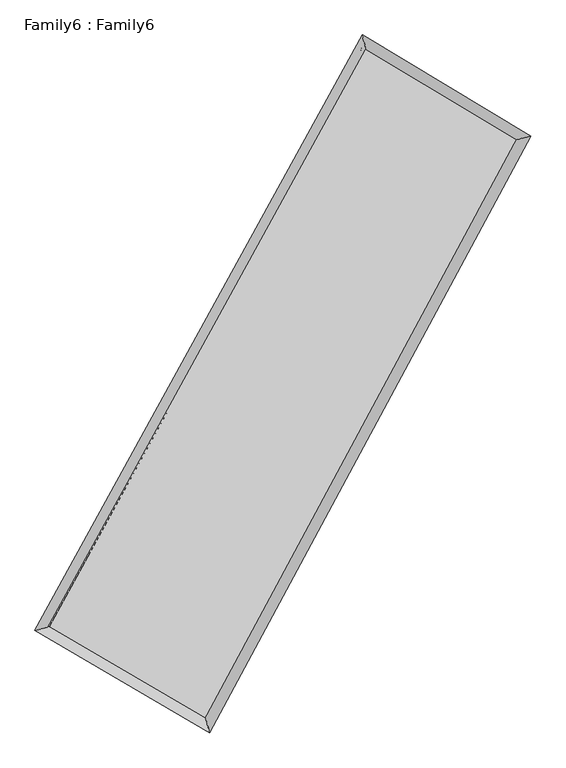
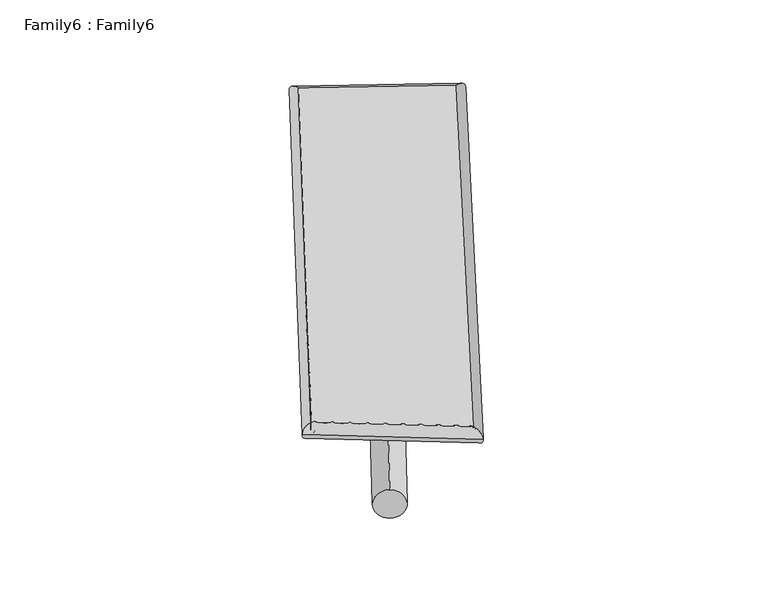
"""IFC4 building model written with IfcOpenShell, lengths in millimetres: plate geometry, Family6 : Family6."""

import ifcopenshell
import ifcopenshell.guid

model = None  # the IFC model being written
_history = None  # IfcOwnerHistory: only IFC2X3 demands one
_inside = {}  # id of a spatial element -> (the spatial element, [elements in it])
_under = {}  # id of a project, library or spatial element -> (it, [spatial elements below it])
_declared = {}  # id of a project -> (the project, [libraries it declares])
_typed = {}  # id of a type object -> (the type object, [elements of that type])
_made_of = {}  # id of a material, layer set ... -> (it, [elements and type objects made of it])


def new_model(schema):
    """Start an empty IFC model of exactly this schema.

    Asked for "IFC4X3", IfcOpenShell would pick the latest addendum, in which some entities
    have other attributes; the version numbers below select the first issue.
    IFC2X3 requires an IfcOwnerHistory on every rooted entity: one is made here for all.
    """
    global model, _history
    if schema == "IFC4X3":
        model = ifcopenshell.file(schema_version=(4, 3, 0, 0))
    else:
        model = ifcopenshell.file(schema=schema)
    _inside.clear()
    _under.clear()
    _declared.clear()
    _typed.clear()
    _made_of.clear()
    _history = None
    if model.schema == "IFC2X3":
        org = make("IfcOrganization", Name="unknown")
        user = make(
            "IfcPersonAndOrganization",
            ThePerson=make("IfcPerson", FamilyName="unknown"),
            TheOrganization=org,
        )
        app = make(
            "IfcApplication",
            ApplicationDeveloper=org,
            Version="unknown",
            ApplicationFullName="unknown",
            ApplicationIdentifier="unknown",
        )
        _history = make(
            "IfcOwnerHistory",
            OwningUser=user,
            OwningApplication=app,
            ChangeAction="ADDED",
            CreationDate=0,
        )
    return model


def make(cls, **values):
    """One entity of the class cls with the attributes given. An attribute that is None is left unset."""
    return model.create_entity(
        cls, **{name: value for name, value in values.items() if value is not None}
    )


def rooted(cls, **values):
    """An entity with a GlobalId (a new one), such as an element, a storey or a relation."""
    return make(cls, GlobalId=ifcopenshell.guid.new(), OwnerHistory=_history, **values)


def si_unit(unit_type, name, prefix=None):
    """IfcSIUnit, for example si_unit("LENGTHUNIT", "METRE", prefix="MILLI")."""
    return make("IfcSIUnit", UnitType=unit_type, Prefix=prefix, Name=name)


def assignment(units):
    """IfcUnitAssignment: the units of a project."""
    return None if units is None else make("IfcUnitAssignment", Units=units)


def point(xyz):
    """IfcCartesianPoint."""
    return None if xyz is None else make("IfcCartesianPoint", Coordinates=xyz)


def direction(xyz):
    """IfcDirection."""
    return None if xyz is None else make("IfcDirection", DirectionRatios=xyz)


def frame(location, z_axis=None, x_axis=None):
    """IfcAxis2Placement3D, a coordinate frame: its origin and axes. An axis left out is left unset."""
    return make(
        "IfcAxis2Placement3D",
        Location=point(location),
        Axis=direction(z_axis),
        RefDirection=direction(x_axis),
    )


def frame_2d(location, x_axis=None):
    """IfcAxis2Placement2D, a coordinate frame in the plane: its origin and x axis."""
    return make(
        "IfcAxis2Placement2D", Location=point(location), RefDirection=direction(x_axis)
    )


def origin():
    """The frame at (0, 0, 0) with its axes left unset."""
    return frame((0.0, 0.0, 0.0))


def origin_2d():
    """The frame at (0, 0) in the plane with its x axis left unset."""
    return frame_2d((0.0, 0.0))


def place(relative_to, where):
    """IfcLocalPlacement: puts the frame where relative to a parent placement (None: the world)."""
    return make(
        "IfcLocalPlacement", PlacementRelTo=relative_to, RelativePlacement=where
    )


def context(
    kind, dimensions, precision=None, world=None, true_north=None, identifier=None
):
    """IfcGeometricRepresentationContext, for example the 3D "Model" context."""
    return make(
        "IfcGeometricRepresentationContext",
        ContextIdentifier=identifier,
        ContextType=kind,
        CoordinateSpaceDimension=dimensions,
        Precision=precision,
        WorldCoordinateSystem=world,
        TrueNorth=true_north,
    )


def project(units=None, contexts=None):
    """IfcProject with its units and contexts."""
    return rooted(
        "IfcProject",
        Name="project",
        RepresentationContexts=contexts,
        UnitsInContext=assignment(units),
    )


def spatial(cls, under=None, at=None, **own):
    """A site, building, storey or space (cls), placed at a placement, below another one or the project."""
    s = rooted(cls, ObjectPlacement=at, **own)
    if under is not None:
        _under.setdefault(under.id(), (under, []))[1].append(s)
    return s


def circle_curve(where, radius):
    """IfcCircle in the frame where."""
    return make("IfcCircle", Position=where, Radius=radius)


def ellipse_curve(where, semi_axis1, semi_axis2):
    """IfcEllipse in the frame where."""
    return make(
        "IfcEllipse", Position=where, SemiAxis1=semi_axis1, SemiAxis2=semi_axis2
    )


def trimmed(basis, trim1, trim2, sense, master):
    """IfcTrimmedCurve: the piece of a basis curve between two trims."""
    return make(
        "IfcTrimmedCurve",
        BasisCurve=basis,
        Trim1=trim1,
        Trim2=trim2,
        SenseAgreement=sense,
        MasterRepresentation=master,
    )


def segment(curve, same_sense, transition):
    """IfcCompositeCurveSegment."""
    return make(
        "IfcCompositeCurveSegment",
        Transition=transition,
        SameSense=same_sense,
        ParentCurve=curve,
    )


def composite_curve(segments, self_intersect=None):
    """IfcCompositeCurve: segments joined end to end."""
    return make("IfcCompositeCurve", Segments=segments, SelfIntersect=self_intersect)


def outline(outer, holes=None, kind="AREA"):
    """IfcArbitraryClosedProfileDef: a profile drawn as a closed curve; with holes, ...WithVoids."""
    if holes is None:
        return make("IfcArbitraryClosedProfileDef", ProfileType=kind, OuterCurve=outer)
    return make(
        "IfcArbitraryProfileDefWithVoids",
        ProfileType=kind,
        OuterCurve=outer,
        InnerCurves=holes,
    )


def extrude(swept, where, along, depth):
    """IfcExtrudedAreaSolid: the profile swept, set in the frame where, extruded along a direction by depth."""
    return make(
        "IfcExtrudedAreaSolid",
        SweptArea=swept,
        Position=where,
        ExtrudedDirection=direction(along),
        Depth=depth,
    )


def shape(context_of_items, identifier, shape_type, items):
    """IfcShapeRepresentation: the items that make up one representation, for example the "Body"."""
    return make(
        "IfcShapeRepresentation",
        ContextOfItems=context_of_items,
        RepresentationIdentifier=identifier,
        RepresentationType=shape_type,
        Items=items,
    )


def source(mapping_origin, context_of_items, identifier, shape_type, items):
    """IfcRepresentationMap: a shape defined once, which mapped items show again and again."""
    return make(
        "IfcRepresentationMap",
        MappingOrigin=mapping_origin,
        MappedRepresentation=shape(context_of_items, identifier, shape_type, items),
    )


def transform(
    local_origin,
    x_axis=None,
    y_axis=None,
    z_axis=None,
    scale=None,
    scale2=None,
    scale3=None,
    uniform=True,
):
    """IfcCartesianTransformationOperator3D, or its non-uniform kind. x_axis, y_axis, z_axis: its Axis1, 2, 3."""
    if uniform:
        return make(
            "IfcCartesianTransformationOperator3D",
            Axis1=direction(x_axis),
            Axis2=direction(y_axis),
            LocalOrigin=point(local_origin),
            Scale=scale,
            Axis3=direction(z_axis),
        )
    return make(
        "IfcCartesianTransformationOperator3DnonUniform",
        Axis1=direction(x_axis),
        Axis2=direction(y_axis),
        LocalOrigin=point(local_origin),
        Scale=scale,
        Axis3=direction(z_axis),
        Scale2=scale2,
        Scale3=scale3,
    )


def mapped(mapping_source, mapping_target):
    """IfcMappedItem: shows the shape of a source again, moved by a transform."""
    return make(
        "IfcMappedItem", MappingSource=mapping_source, MappingTarget=mapping_target
    )


def made_of(thing, what):
    """Note that an element or type object is made of a material, layer set ...; save() writes the relation."""
    if what is not None:
        _made_of.setdefault(what.id(), (what, []))[1].append(thing)
    return thing


def element(
    cls,
    number,
    at=None,
    inside=None,
    cuts=None,
    type_object=None,
    material=None,
    context=None,
    identifier="Body",
    shape_type=None,
    held_by="IfcProductDefinitionShape",
    body=None,
    shapes=None,
    **own,
):
    """One element of the class cls, such as IfcWall. Its Tag is "e" and its number.

    at: its placement. inside: the storey or other place that contains it. cuts: it is an
    opening in that element (IfcRelVoidsElement). A single representation is given by context,
    identifier, shape_type and body (its items); several are given by shapes. held_by: the class
    of the entity that holds the representations. save() writes the other relations.
    """
    e = rooted(cls, Tag="e%d" % number, ObjectPlacement=at, **own)
    if body is not None:
        shapes = [shape(context, identifier, shape_type, body)]
    if shapes is not None:
        e.Representation = make(held_by, Representations=shapes)
    if inside is not None:
        _inside.setdefault(inside.id(), (inside, []))[1].append(e)
    if cuts is not None:
        rooted(
            "IfcRelVoidsElement", RelatingBuildingElement=cuts, RelatedOpeningElement=e
        )
    if type_object is not None:
        _typed.setdefault(type_object.id(), (type_object, []))[1].append(e)
    return made_of(e, material)


def aggregate(whole, parts):
    """IfcRelAggregates: a whole, such as a stair, and the parts it consists of."""
    return rooted("IfcRelAggregates", RelatingObject=whole, RelatedObjects=parts)


def save(model, path):
    """Write the relations noted so far, then the file.

    IfcRelAggregates (storeys below a building ...), IfcRelContainedInSpatialStructure (elements
    in a storey), IfcRelDefinesByType, IfcRelAssociatesMaterial and IfcRelDeclares: one each for
    every whole, place, type object, material and project.
    """
    for whole, parts in _under.values():
        aggregate(whole, parts)
    for where, things in _inside.values():
        rooted(
            "IfcRelContainedInSpatialStructure",
            RelatedElements=things,
            RelatingStructure=where,
        )
    for kind, things in _typed.values():
        rooted("IfcRelDefinesByType", RelatedObjects=things, RelatingType=kind)
    for what, things in _made_of.values():
        rooted("IfcRelAssociatesMaterial", RelatedObjects=things, RelatingMaterial=what)
    for by, libraries in _declared.values():
        rooted("IfcRelDeclares", RelatingContext=by, RelatedDefinitions=libraries)
    model.write(path)


def plane_surface(at):
    """IfcPlane: the flat surface through the origin of the frame at, square to its z axis."""
    return make("IfcPlane", Position=at)


def cylinder_surface(at, radius):
    """IfcCylindricalSurface: all points at the distance radius from the z axis of the frame at."""
    return make("IfcCylindricalSurface", Position=at, Radius=radius)


def spline_surface(u_degree, v_degree, points, u_multiplicities, v_multiplicities, u_knots, v_knots, weights=None):
    """IfcBSplineSurfaceWithKnots; with weights, IfcRationalBSplineSurfaceWithKnots. points: one row for each step in u."""
    own = dict(
        UDegree=u_degree,
        VDegree=v_degree,
        ControlPointsList=[[point(p) for p in row] for row in points],
        SurfaceForm="UNSPECIFIED",
        UClosed=False,
        VClosed=False,
        SelfIntersect=False,
        UMultiplicities=u_multiplicities,
        VMultiplicities=v_multiplicities,
        UKnots=u_knots,
        VKnots=v_knots,
        KnotSpec="UNSPECIFIED",
    )
    if weights is None:
        return make("IfcBSplineSurfaceWithKnots", **own)
    return make("IfcRationalBSplineSurfaceWithKnots", WeightsData=weights, **own)


def advanced_brep(points, edges, surfaces, faces):
    """IfcAdvancedBrep: a solid bounded by faces that lie on surfaces and meet in shared edges.

    An edge is (start, end): straight between two places in points (the first is 0);
    or (start, end, curve); or (start, end, curve, False) where it runs against its curve.
    A face is (place in surfaces, loops), or (place, loops, False) where it looks against
    its surface's normal. A loop lists edges by number (the first is 1), with a minus sign
    where the edge is run from its end to its start. The first loop is the outer one.
    """
    corners = [point(p) for p in points]
    vertices = [make("IfcVertexPoint", VertexGeometry=c) for c in corners]
    made = []
    for start, end, *more in edges:
        made.append(
            make(
                "IfcEdgeCurve",
                EdgeStart=vertices[start],
                EdgeEnd=vertices[end],
                EdgeGeometry=more[0] if more else make("IfcPolyline", Points=[corners[start], corners[end]]),
                SameSense=more[1] if len(more) > 1 else True,
            )
        )
    hull = []
    for where, loops, *sense in faces:
        bounds = []
        for j, loop in enumerate(loops):
            ring = [make("IfcOrientedEdge", EdgeElement=made[abs(k) - 1], Orientation=k > 0) for k in loop]
            bounds.append(
                make(
                    "IfcFaceOuterBound" if j == 0 else "IfcFaceBound",
                    Bound=make("IfcEdgeLoop", EdgeList=ring),
                    Orientation=True,
                )
            )
        hull.append(make("IfcAdvancedFace", Bounds=bounds, FaceSurface=surfaces[where], SameSense=sense[0] if sense else True))
    return make("IfcAdvancedBrep", Outer=make("IfcClosedShell", CfsFaces=hull))


def family6_family6_7876a1e8(model_context):
    return source(origin(), model_context, "Body", "SolidModel", [
        extrude(outline(composite_curve([segment(trimmed(circle_curve(origin_2d(), 76.2), [point((-75.4341514, -10.7763073))], [point((75.4341514, 10.7763073))], False, "CARTESIAN"), True, "CONTINUOUS"), segment(trimmed(circle_curve(origin_2d(), 76.2), [point((75.4341514, 10.7763073))], [point((-75.4341514, -10.7763073))], False, "CARTESIAN"), True, "CONTINUOUS")], self_intersect=False)), frame((9144.0, 9144.0, 0.0), z_axis=(0.6628546163377299, 0.6928799469474338, 0.2837977038629494), x_axis=(-0.6855402760681014, 0.7140334905429935, -0.14209399801349887)), (0.0, 0.0, 1.0), 5520.9013519),
        extrude(outline(composite_curve([segment(trimmed(circle_curve(origin_2d(), 76.2), [point((-53.8815367, 53.8815367))], [point((53.8815367, -53.8815367))], False, "CARTESIAN"), True, "CONTINUOUS"), segment(trimmed(circle_curve(origin_2d(), 76.2), [point((53.8815367, -53.8815367))], [point((-53.8815367, 53.8815367))], False, "CARTESIAN"), True, "CONTINUOUS")], self_intersect=False)), frame((9144.0, 9144.0, 0.0), z_axis=(-0.6686117527457184, -0.6879092663654263, 0.28238124112426355), x_axis=(0.6478356132078004, -0.35243653416260035, 0.6753499149678835)), (0.0, 0.0, 1.0), 5545.6309932),
        extrude(outline(composite_curve([segment(trimmed(circle_curve(origin_2d(), 76.2), [point((-53.8815367, -53.8815367))], [point((53.8815367, 53.8815367))], False, "CARTESIAN"), True, "CONTINUOUS"), segment(trimmed(circle_curve(origin_2d(), 76.2), [point((53.8815367, 53.8815367))], [point((-53.8815367, -53.8815367))], False, "CARTESIAN"), True, "CONTINUOUS")], self_intersect=False)), frame((9144.0, 9144.0, 0.0), z_axis=(0.22803201383567154, 0.9372638678045658, 0.26370028967385256), x_axis=(-0.8466044194165957, 0.32463487341239755, -0.4217501108343728)), (0.0, 0.0, 1.0), 5604.6065282),
        extrude(outline(composite_curve([segment(trimmed(circle_curve(origin_2d(), 76.2), [point((-75.4341514, 10.7763074))], [point((75.4341514, -10.7763074))], False, "CARTESIAN"), True, "CONTINUOUS"), segment(trimmed(circle_curve(origin_2d(), 76.2), [point((75.4341514, -10.7763074))], [point((-75.4341514, 10.7763074))], False, "CARTESIAN"), True, "CONTINUOUS")], self_intersect=False)), frame((9144.0, 9144.0, 0.0), z_axis=(-0.22040990947585154, -0.9390035926561677, 0.26399190287517665), x_axis=(0.894583159422048, -0.08672984359241921, 0.4384049556162672)), (0.0, 0.0, 1.0), 5602.4011413),
        advanced_brep(
        [(5231.3993686, 5272.6983673, 1559.7813605), (5231.1905538, 5272.421951, 1573.6086507), (5640.8525145, 5385.5197366, 1572.1829649), (10479.2187744, 14185.0787247, 1486.7425239), (10364.8406524, 14608.9116595, 1469.1302061), (5641.0613293, 5385.7961529, 1558.3556747), (12600.3760358, 12913.4903899, 1565.9078896), (13006.7338591, 13025.1532817, 1567.7303643), (7849.8326129, 4094.5134382, 1480.6584699), (7968.5179303, 3672.1369635, 1477.318606)],
        [
            (0, 1, ellipse_curve(frame((5436.1259416, 5329.1090519, 1565.9821627), z_axis=(-0.2660402555429955, 0.963841281180051, 0.01525015159974454), x_axis=(-0.9634665446102371, -0.2663773812210917, 0.027844356530600835)), 212.7741935, 152.4)),
            (1, 2, ellipse_curve(frame((5436.1259416, 5329.1090519, 1565.9821627), z_axis=(-0.2660402555429955, 0.963841281180051, 0.01525015159974454), x_axis=(-0.9634665446102371, -0.2663773812210917, 0.027844356530600835)), 212.7741935, 152.4)),
            (2, 3),
            (3, 4, ellipse_curve(frame((10422.0297134, 14396.9951921, 1477.936365), z_axis=(-0.9651461042646117, -0.2611636180556616, -0.01692814304404698), x_axis=(0.2606382553609394, -0.9650270351375922, 0.028116210554659824)), 219.6911291, 152.4)),
            (4, 0),
            (2, 5, ellipse_curve(frame((5436.1259416, 5329.1090519, 1565.9821627), z_axis=(-0.2660402555429955, 0.963841281180051, 0.01525015159974454), x_axis=(-0.9634665446102371, -0.2663773812210917, 0.027844356530600835)), 212.7741935, 152.4)),
            (5, 0, ellipse_curve(frame((5436.1259416, 5329.1090519, 1565.9821627), z_axis=(-0.2660402555429955, 0.963841281180051, 0.01525015159974454), x_axis=(-0.9634665446102371, -0.2663773812210917, 0.027844356530600835)), 212.7741935, 152.4)),
            (4, 3, ellipse_curve(frame((10422.0297134, 14396.9951921, 1477.936365), z_axis=(-0.9651461042646117, -0.2611636180556616, -0.01692814304404698), x_axis=(0.2606382553609394, -0.9650270351375922, 0.028116210554659824)), 219.6911291, 152.4)),
            (3, 6),
            (6, 7, ellipse_curve(frame((12803.5549475, 12969.3218358, 1566.8191269), z_axis=(-0.2648651753817492, 0.9641487016509392, -0.01623945734324734), x_axis=(-0.9637351264351104, -0.2652453610260322, -0.02931730767433638)), 210.7723287, 152.4)),
            (7, 4),
            (7, 6, ellipse_curve(frame((12803.5549475, 12969.3218358, 1566.8191269), z_axis=(-0.2648651753817492, 0.9641487016509392, -0.01623945734324734), x_axis=(-0.9637351264351104, -0.2652453610260322, -0.02931730767433638)), 210.7723287, 152.4)),
            (6, 8),
            (8, 9, ellipse_curve(frame((7909.1752716, 3883.3252008, 1478.988538), z_axis=(0.9625636888059995, 0.27059910403852666, -0.01572481751035254), x_axis=(-0.2701248705615127, 0.9624463621669236, 0.027010262045765624)), 219.4179766, 152.4)),
            (9, 7),
            (9, 8, ellipse_curve(frame((7909.1752716, 3883.3252008, 1478.988538), z_axis=(0.9625636888059995, 0.27059910403852666, -0.01572481751035254), x_axis=(-0.2701248705615127, 0.9624463621669236, 0.027010262045765624)), 219.4179766, 152.4)),
            (8, 5),
            (1, 9),
        ],
        [
            cylinder_surface(frame((5436.1259416, 5329.1090519, 1565.9821627), z_axis=(-0.4817949458338859, -0.87624268571671, 0.008507990179218106), x_axis=(-0.8754245104498659, 0.48086978520926577, -0.0489507525622142)), 152.4),
            cylinder_surface(frame((10422.0297134, 14396.9951921, 1477.936365), z_axis=(-0.857251076823871, 0.5139036548952546, -0.03199413648800327), x_axis=(0.5146860560758019, 0.8570266214095943, -0.024568961646612063)), 152.4),
            cylinder_surface(frame((12803.5549475, 12969.3218358, 1566.8191269), z_axis=(0.47422686316198015, 0.8803615510561295, 0.008510092690142275), x_axis=(0.8804000658181197, -0.4742268631619801, -0.002146243928140909)), 152.4),
            cylinder_surface(frame((7909.1752716, 3883.3252008, 1478.988538), z_axis=(0.8628988219443969, -0.5044643334647319, -0.030353901708935004), x_axis=(-0.5040543637119339, -0.8634292947202599, 0.020470746000872578)), 152.4),
        ],
        [
            (0, [[1, 2, 3, 4, 5]]),
            (0, [[6, 7, -5, 8, -3]]),
            (1, [[-4, 9, 10, 11]]),
            (1, [[-8, -11, 12, -9]]),
            (2, [[-10, 13, 14, 15]]),
            (2, [[-12, -15, 16, -13]]),
            (3, [[-14, 17, -6, -2, 18]]),
            (3, [[-16, -18, -1, -7, -17]]),
        ],
    ),
        extrude(outline(composite_curve([segment(trimmed(circle_curve(origin_2d(), 304.8), [point((-1e-07, -304.8))], [point((0.0, 304.8))], False, "CARTESIAN"), True, "CONTINUOUS"), segment(trimmed(circle_curve(origin_2d(), 304.8), [point((0.0, 304.8))], [point((-1e-07, -304.8))], False, "CARTESIAN"), True, "CONTINUOUS")], self_intersect=False)), frame((6623.2847958, 4613.1955021, -0.0730213), z_axis=(0.48617365462621337, 0.8738622187444886, 1.4083714805333228e-05), x_axis=(-0.87386221885034, 0.48617365462621337, 3.654020572659728e-06)), (0.0, 0.0, 1.0), 10369.6083907),
        advanced_brep(
        [(5436.1259416, 5329.1090519, 1565.9821627), (7909.1752716, 3883.3252008, 1478.988538), (7909.198194, 3883.3167505, 1631.388536), (5436.1488639, 5329.1006016, 1718.3821607), (12803.5549475, 12969.3218358, 1566.8191269), (12803.5778698, 12969.3133855, 1719.219125), (10422.0297134, 14396.9951921, 1477.936365), (10422.0526357, 14396.9867418, 1630.336363)],
        [
            (0, 1),
            (1, 2),
            (2, 3),
            (3, 0),
            (1, 4),
            (4, 5),
            (5, 2),
            (4, 6),
            (6, 7),
            (7, 5),
            (6, 0),
            (3, 7),
        ],
        [
            plane_surface(frame((6672.6506066, 4606.2171264, 1522.4853503), z_axis=(-0.5046961552646299, -0.863297046256218, 2.8042655183666693e-05), x_axis=(0.862898821944397, -0.5044643334647319, -0.030353901708935028))),
            plane_surface(frame((10356.3651095, 8426.3235183, 1522.9038324), z_axis=(0.8803940609041667, -0.4742428410995193, -0.00015871523740202407), x_axis=(0.4742268631619798, 0.8803615510561295, 0.008510092690142258))),
            plane_surface(frame((11612.7923304, 13683.158514, 1522.377746), z_axis=(0.514167696584968, 0.8576896751749834, -2.9778180323345935e-05), x_axis=(-0.857251076823871, 0.5139036548952545, -0.03199413648800327))),
            plane_surface(frame((7929.0778275, 9863.052122, 1521.9592638), z_axis=(-0.8762737404168708, 0.48181356013372123, 0.00015851528623269783), x_axis=(-0.48179494583388605, -0.8762426857167102, 0.008507990179218087))),
            spline_surface(1, 1, [[(7909.198194, 3883.3167505, 1631.388536), (5436.1488639, 5329.1006016, 1718.3821607)], [(12803.5778698, 12969.3133855, 1719.219125), (10422.0526357, 14396.9867418, 1630.336363)]], [2, 2], [2, 2], [0.0, 1.0], [0.0, 1.0]),
            spline_surface(1, 1, [[(10422.0297134, 14396.9951921, 1477.936365), (5436.1259416, 5329.1090519, 1565.9821627)], [(12803.5549475, 12969.3218358, 1566.8191269), (7909.1752716, 3883.3252008, 1478.988538)]], [2, 2], [2, 2], [0.0, 1.0], [0.0, 1.0]),
        ],
        [
            (0, [[1, 2, 3, 4]]),
            (1, [[5, 6, 7, -2]]),
            (2, [[8, 9, 10, -6]]),
            (3, [[11, -4, 12, -9]]),
            (4, [[-3, -7, -10, -12]]),
            (5, [[-11, -8, -5, -1]]),
        ],
    ),
    ])


if __name__ == "__main__":
    model = new_model("IFC4")
    model_context = context("Model", 3, world=origin())
    ifc_project = project(units=[si_unit("LENGTHUNIT", "METRE", prefix="MILLI")], contexts=[model_context])
    site = spatial("IfcSite", under=ifc_project)
    building = spatial("IfcBuilding", under=site)
    placement = place(None, origin())
    family6_family6_shape = family6_family6_7876a1e8(model_context)
    element("IfcPlate", 1, ObjectType="Family6 : Family6", at=placement, inside=building, context=model_context, shape_type="MappedRepresentation", body=[
        mapped(family6_family6_shape, transform((0.0, 0.0, 0.0), x_axis=(1.0, 0.0, 0.0), y_axis=(0.0, 1.0, 0.0), z_axis=(0.0, 0.0, 1.0))),
    ])
    save(model, "model.ifc")
